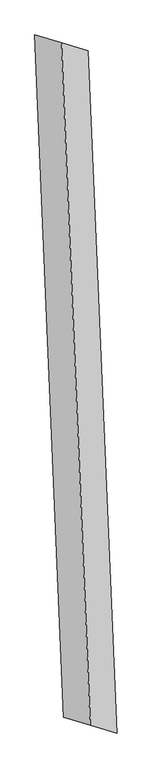
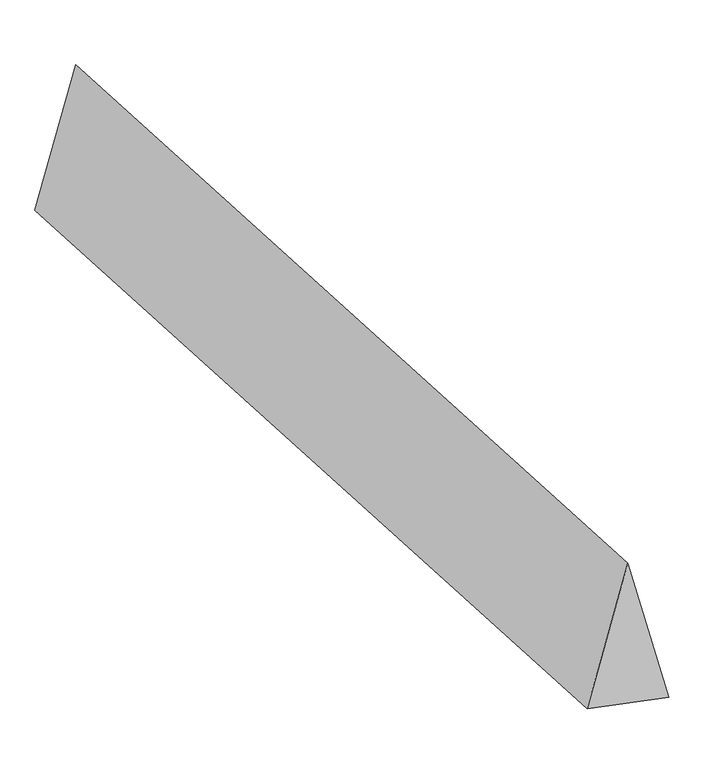
"""IFC4 building model written with IfcOpenShell, lengths in millimetres: proxy geometry."""

from ifc_helpers import new_model, si_unit, origin, place, context, project, spatial, faceted_brep, source, transform, mapped, element, save


def generic_models_730fe258(model_context):
    return source(origin(), model_context, "Body", "Brep", [
        faceted_brep([(89.5264138, -2111.7936144, 700.0), (255.1834737, -2160.7062839, 0.0), (76.1306461, 2062.8809449, 0.0), (-89.5264138, 2111.7936144, 700.0), (-76.1306461, -2062.8809449, 0.0), (-255.1834737, 2160.7062839, 0.0)], [[[0, 1, 2, 3]], [[1, 4, 5, 2]], [[4, 0, 3, 5]], [[3, 2, 5]], [[0, 4, 1]]]),
    ])


if __name__ == "__main__":
    model = new_model("IFC4")
    model_context = context("Model", 3, world=origin())
    ifc_project = project(units=[si_unit("LENGTHUNIT", "METRE", prefix="MILLI")], contexts=[model_context])
    site = spatial("IfcSite", under=ifc_project)
    building = spatial("IfcBuilding", under=site)
    placement = place(None, origin())
    generic_models_shape = generic_models_730fe258(model_context)
    element("IfcBuildingElementProxy", 1, Name="Generic Models", at=placement, inside=building, context=model_context, shape_type="MappedRepresentation", body=[
        mapped(generic_models_shape, transform((0.0, 0.0, 0.0), x_axis=(1.0, 0.0, 0.0), y_axis=(0.0, 1.0, 0.0), z_axis=(0.0, 0.0, 1.0))),
    ])
    save(model, "model.ifc")
